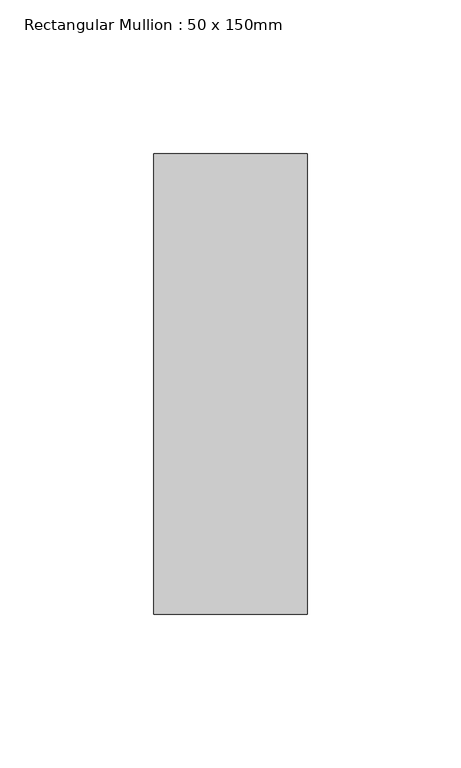
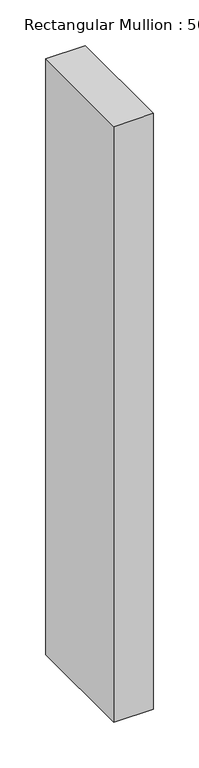
"""IFC4 building model written with IfcOpenShell, lengths in millimetres: member geometry, Rectangular Mullion : 50 x 150mm."""

from ifc_helpers import new_model, si_unit, frame, origin, place, context, project, spatial, polyline, outline, extrude, source, transform, mapped, element, save


def rectangular_mullion_50_x_150mm_f22ad971(model_context):
    return source(origin(), model_context, "Body", "SweptSolid", [
        extrude(outline(polyline([(0.0, 75.0), (0.0, -75.0), (-50.0, -75.0), (-50.0, 75.0), (0.0, 75.0)])), frame((0.0, 0.0, -798.3333333), z_axis=(0.0, 0.0, 1.0), x_axis=(1.0, 0.0, 0.0)), (0.0, 0.0, 1.0), 798.3333333),
    ])


if __name__ == "__main__":
    model = new_model("IFC4")
    model_context = context("Model", 3, world=origin())
    ifc_project = project(units=[si_unit("LENGTHUNIT", "METRE", prefix="MILLI")], contexts=[model_context])
    site = spatial("IfcSite", under=ifc_project)
    building = spatial("IfcBuilding", under=site)
    placement = place(None, origin())
    rectangular_mullion_50_x_150mm_shape = rectangular_mullion_50_x_150mm_f22ad971(model_context)
    element("IfcMember", 1, ObjectType="Rectangular Mullion : 50 x 150mm", at=placement, inside=building, context=model_context, shape_type="MappedRepresentation", body=[
        mapped(rectangular_mullion_50_x_150mm_shape, transform((0.0, 0.0, 0.0), x_axis=(1.0, 0.0, 0.0), y_axis=(0.0, 1.0, 0.0), z_axis=(0.0, 0.0, 1.0))),
    ])
    save(model, "model.ifc")
